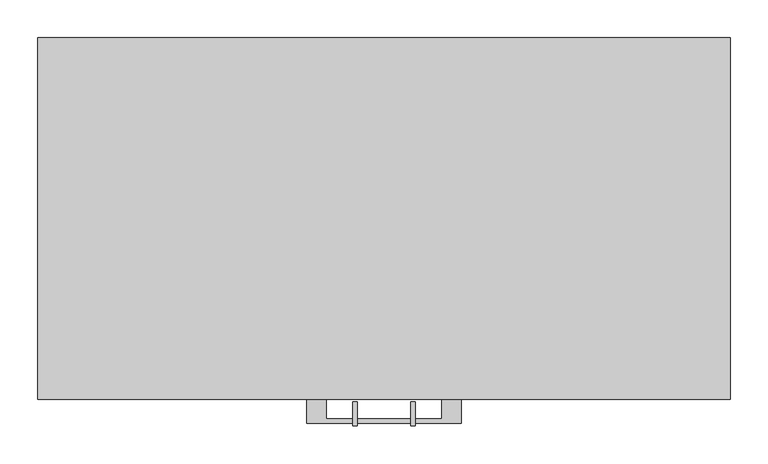
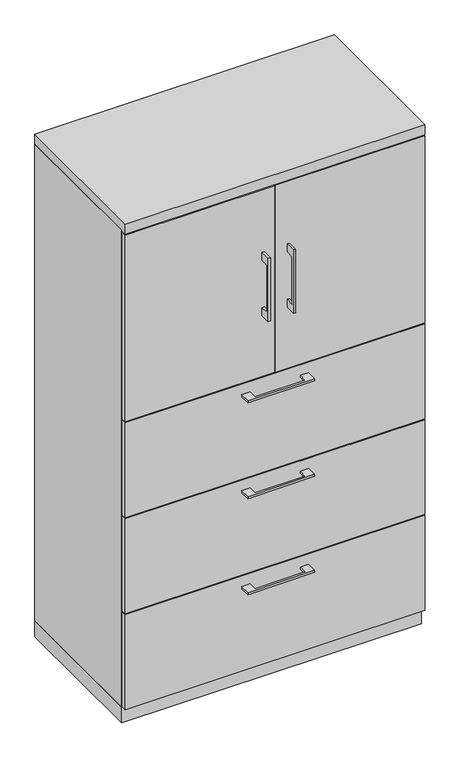
"""IFC4 building model written with IfcOpenShell, lengths in millimetres: furniture geometry."""

from ifc_helpers import new_model, si_unit, frame, origin, origin_with_axes, place, context, project, spatial, polyline, outline, extrude, source, transform, mapped, element, save


def furniture_23cb9cb5(model_context):
    return source(origin(), model_context, "Body", "SweptSolid", [
        extrude(outline(polyline([(-76.1999818, -476.25), (-76.1999818, -501.6499758), (76.2, -501.6499758), (76.2, -476.25), (101.5999939, -476.25), (101.5999939, -507.9999879), (-101.5999939, -507.9999879), (-101.5999939, -476.25), (-76.1999818, -476.25)])), frame((0.0, 0.0, 935.0375506), z_axis=(0.0, 0.0, 1.0), x_axis=(1.0, 0.0, 0.0)), (0.0, 0.0, 1.0), 6.3499758),
        extrude(outline(polyline([(455.6125, -457.2), (455.6125, -476.25), (-455.6125, -476.25), (-455.6125, -457.2), (455.6125, -457.2)])), frame((0.0, 0.0, 669.925), z_axis=(0.0, 0.0, 1.0), x_axis=(1.0, 0.0, 0.0)), (0.0, 0.0, 1.0), 304.8),
        extrude(outline(polyline([(-479.425, 1354.1375), (-504.8249758, 1354.1375), (-504.8249758, 1201.7375), (-479.425, 1201.7375), (-479.425, 1176.3375), (-511.1749879, 1176.3375), (-511.1749879, 1379.5375), (-479.425, 1379.5375), (-479.425, 1354.1375)])), frame((-41.2749879, 0.0, 0.0), z_axis=(1.0, 0.0, 0.0), x_axis=(0.0, 1.0, 0.0)), (0.0, 0.0, 1.0), 6.3499758),
        extrude(outline(polyline([(-455.6125, -476.25), (-455.6125, -457.2), (-1.5875, -457.2), (-1.5875, -476.25), (-455.6125, -476.25)])), frame((0.0, 0.0, 977.9), z_axis=(0.0, 0.0, 1.0), x_axis=(1.0, 0.0, 0.0)), (0.0, 0.0, 1.0), 600.075),
        extrude(outline(polyline([(-479.425, 1354.1375), (-504.8249758, 1354.1375), (-504.8249758, 1201.7375), (-479.425, 1201.7375), (-479.425, 1176.3375), (-511.1749879, 1176.3375), (-511.1749879, 1379.5375), (-479.425, 1379.5375), (-479.425, 1354.1375)])), frame((34.9250121, 0.0, 0.0), z_axis=(1.0, 0.0, 0.0), x_axis=(0.0, 1.0, 0.0)), (0.0, 0.0, 1.0), 6.3499758),
        extrude(outline(polyline([(455.6125, -476.25), (1.5875, -476.25), (1.5875, -457.2), (455.6125, -457.2), (455.6125, -476.25)])), frame((0.0, 0.0, 977.9), z_axis=(0.0, 0.0, 1.0), x_axis=(1.0, 0.0, 0.0)), (0.0, 0.0, 1.0), 600.075),
        extrude(outline(polyline([(436.5625, -19.05), (436.5625, -457.2), (-436.5625, -457.2), (-436.5625, -19.05), (436.5625, -19.05)])), frame((0.0, 0.0, 1270.0), z_axis=(0.0, 0.0, 1.0), x_axis=(1.0, 0.0, 0.0)), (0.0, 0.0, 1.0), 19.05),
        extrude(outline(polyline([(-76.1999818, -476.25), (-76.1999818, -501.6499758), (76.2, -501.6499758), (76.2, -476.25), (101.5999939, -476.25), (101.5999939, -507.9999879), (-101.5999939, -507.9999879), (-101.5999939, -476.25), (-76.1999818, -476.25)])), frame((0.0, 0.0, 627.0625506), z_axis=(0.0, 0.0, 1.0), x_axis=(1.0, 0.0, 0.0)), (0.0, 0.0, 1.0), 6.3499758),
        extrude(outline(polyline([(455.6125, -457.2), (455.6125, -476.25), (-455.6125, -476.25), (-455.6125, -457.2), (455.6125, -457.2)])), frame((0.0, 0.0, 361.95), z_axis=(0.0, 0.0, 1.0), x_axis=(1.0, 0.0, 0.0)), (0.0, 0.0, 1.0), 304.8),
        extrude(outline(polyline([(-76.1999818, -476.25), (-76.1999818, -501.6499758), (76.2, -501.6499758), (76.2, -476.25), (101.5999939, -476.25), (101.5999939, -507.9999879), (-101.5999939, -507.9999879), (-101.5999939, -476.25), (-76.1999818, -476.25)])), frame((0.0, 0.0, 319.0875506), z_axis=(0.0, 0.0, 1.0), x_axis=(1.0, 0.0, 0.0)), (0.0, 0.0, 1.0), 6.3499758),
        extrude(outline(polyline([(455.6125, -457.2), (455.6125, -476.25), (-455.6125, -476.25), (-455.6125, -457.2), (455.6125, -457.2)])), frame((0.0, 0.0, 53.975), z_axis=(0.0, 0.0, 1.0), x_axis=(1.0, 0.0, 0.0)), (0.0, 0.0, 1.0), 304.8),
        extrude(outline(polyline([(436.5625, -19.05), (436.5625, -457.2), (-436.5625, -457.2), (-436.5625, -19.05), (436.5625, -19.05)])), frame((0.0, 0.0, 50.8), z_axis=(0.0, 0.0, 1.0), x_axis=(1.0, 0.0, 0.0)), (0.0, 0.0, 1.0), 927.1),
        extrude(outline(polyline([(-455.6125, 0.0), (455.6125, 0.0), (455.6125, -457.2), (436.5625, -457.2), (436.5625, -19.05), (-436.5625, -19.05), (-436.5625, -457.2), (-455.6125, -457.2), (-455.6125, 0.0)])), frame((0.0, 0.0, 50.8), z_axis=(0.0, 0.0, 1.0), x_axis=(1.0, 0.0, 0.0)), (0.0, 0.0, 1.0), 1530.35),
        extrude(outline(polyline([(455.6125, 0.0), (455.6125, -476.25), (-455.6125, -476.25), (-455.6125, 0.0), (455.6125, 0.0)])), frame((0.0, 0.0, 1581.15), z_axis=(0.0, 0.0, 1.0), x_axis=(1.0, 0.0, 0.0)), (0.0, 0.0, 1.0), 31.75),
        extrude(outline(polyline([(455.6125, 0.0), (455.6125, -457.2), (-455.6125, -457.2), (-455.6125, 0.0), (455.6125, 0.0)])), origin_with_axes(), (0.0, 0.0, 1.0), 50.8),
    ])


if __name__ == "__main__":
    model = new_model("IFC4")
    model_context = context("Model", 3, world=origin())
    ifc_project = project(units=[si_unit("LENGTHUNIT", "METRE", prefix="MILLI")], contexts=[model_context])
    site = spatial("IfcSite", under=ifc_project)
    building = spatial("IfcBuilding", under=site)
    placement = place(None, origin())
    furniture_shape = furniture_23cb9cb5(model_context)
    element("IfcFurniture", 1, at=placement, inside=building, context=model_context, shape_type="MappedRepresentation", body=[
        mapped(furniture_shape, transform((0.0, 0.0, 0.0), x_axis=(1.0, 0.0, 0.0), y_axis=(0.0, 1.0, 0.0), z_axis=(0.0, 0.0, 1.0))),
    ])
    save(model, "model.ifc")
